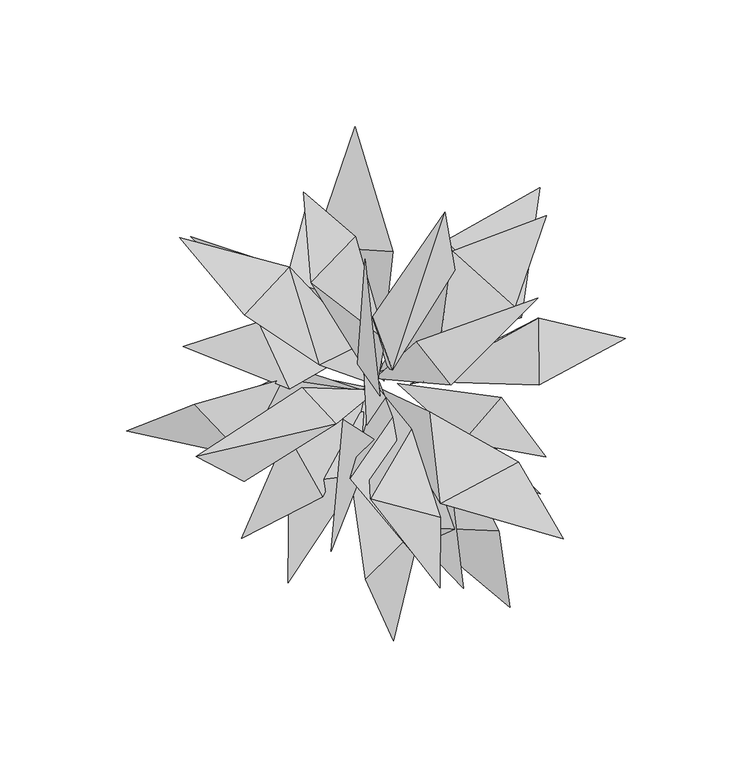
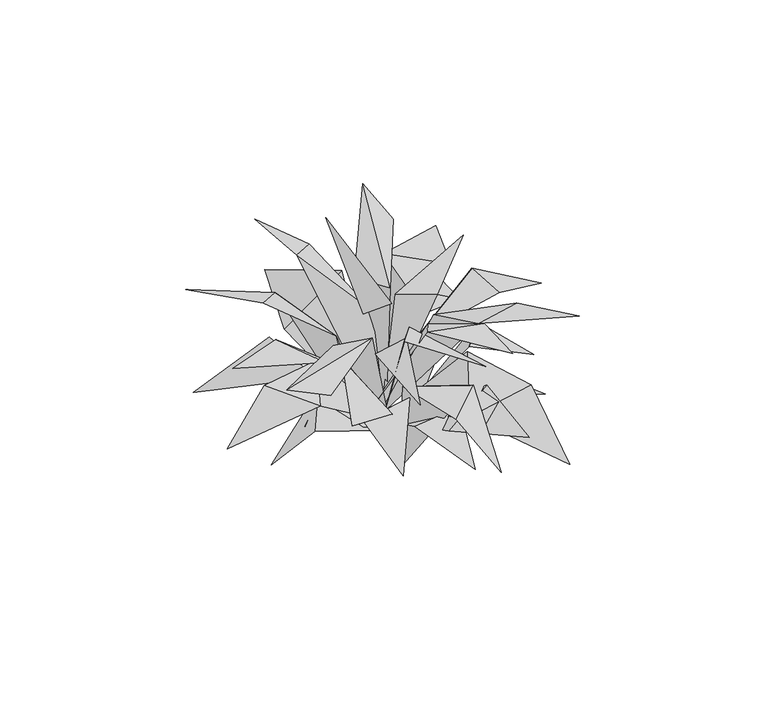
"""IFC4 building model written with IfcOpenShell, lengths in millimetres: furniture geometry."""

from ifc_helpers import new_model, si_unit, origin, place, context, project, spatial, triangles, source, transform, mapped, element, save


def furniture_4bba64a1(model_context):
    return source(origin(), model_context, "Body", "Tessellation", [
        triangles([(-3.9752127, 0.8225217, -21.7141066), (-5.3625701, 15.7347397, -23.5478586), (-22.3436353, 7.3908569, 37.0295643), (1.1749863, 0.8143559, -11.3217381), (-10.22327, -37.3852408, 56.5879068), (6.5095426, -13.0481725, 44.4772997), (13.6864784, -0.0660345, -26.0019444), (18.8151, 0.9120256, 25.696978), (64.1324499, 25.9997166, 35.4528573), (-34.1307519, 46.041889, 43.2481006), (-4.7218204, 5.2897258, -11.6240089), (-2.0970702, -45.3548715, 64.3366889), (14.0779618, -17.8466441, 46.5593628), (64.1923527, -0.4397482, 37.1941187), (98.2841807, 17.8581033, 19.7649886), (-51.8867947, 27.1867354, 54.9456787), (16.8521997, -69.449976, 51.7990003), (25.3305441, -80.5609983, 63.2493779), (25.4632827, -52.6491846, 64.02731), (-77.4890747, 57.7486917, 53.3110492), (-98.3072534, -18.5835961, 12.6908269), (-52.1436922, -28.6477358, 27.9952888), (-71.7243557, -8.1535579, 34.5193751), (-36.6867187, 1.9836649, 30.6843371), (56.2299481, -30.8052758, 52.1651208), (21.388352, -11.2049211, 45.6088031), (25.5168087, -47.1329107, 60.6906405), (73.8627335, -61.2182155, 56.783112), (3.4689306, 17.3971428, 36.9152567), (-8.1443788, 58.1280608, 55.6817938), (-25.6125332, 39.9623818, 66.0989587), (6.5616964, 5.4472238, 56.3690974), (31.0554513, 44.7532685, 64.7161897), (27.1735185, 67.7501206, 73.0941894), (-1.4567375, 26.2816761, 52.7524032), (-28.5702356, 75.5694153, 66.8616574), (12.2171049, -66.9352993, -8.7906568), (19.0464255, -39.9195565, 9.3069373), (-6.6212415, -41.3642993, 7.4484496), (-4.8750641, -23.2322665, -29.1407404), (-10.0858806, -35.3754911, 28.9240339), (17.9078584, -55.4873653, 32.0318793), (-70.2848451, -12.3615865, -10.4004893), (-54.4623143, -27.1362956, 12.6543795), (-33.9610584, 4.9365906, 10.5127247), (-5.9722065, -4.8972143, -10.2854823), (-3.3981205, 0.4202053, -13.5970114), (-2.8551818, -2.6551037, -14.0728204), (6.3593985, -51.4121053, 6.6050735), (30.4337733, -46.4785674, 22.3086333), (-1.2063981, -1.854442, -20.5090202), (-0.9576082, 0.0428036, -14.073253), (15.1935811, -56.7399551, 14.9204578), (32.0059656, -25.0946142, 28.4478207), (0.2421141, -1.7022714, -21.3845822), (3.1833648, 1.1162982, -24.3119154), (-0.5964041, 29.6512697, -4.0361434), (-35.2806454, 40.8753847, -1.1554957), (4.5629741, -4.1460544, -17.3523724), (4.7682523, 5.9548838, -15.2422632), (-27.9201276, 68.1274368, -15.853822), (34.5268851, -80.7737851, 10.7141137), (52.7625089, -88.2738361, -7.3215962), (48.5780259, -58.1088668, 22.9689627), (6.9274308, -101.3443591, 12.030929), (-4.0857792, -77.1897561, 32.5176259), (-34.7260235, -78.5664435, 10.7117292), (-6.4416529, -35.945251, 21.4359758), (-34.1900597, -39.2443388, 19.0513285), (64.8631466, -43.5014826, 2.9172002), (34.5955491, -12.2476365, 15.0779042), (15.9028765, -22.2753141, 7.1086884), (-24.4457712, 54.0763595, 13.4844183), (6.645918, 52.2184651, 38.2338445), (-8.2569718, 101.3736088, 14.4529639), (64.5709633, 77.3556435, 10.7859525), (27.6513691, 56.5505362, 21.8479033), (57.3161826, 26.1291032, 19.5328285), (-21.1120244, -44.6741263, 22.0520038), (-35.0313192, -19.7719036, 44.2210744), (-52.9386382, -60.9862348, 36.1126508), (34.3379976, -22.8796309, 29.3111356), (67.0538559, -28.9509604, 16.723156), (49.3994375, -5.3178298, 27.9092044), (-34.1791501, -2.1303221, 31.2442184), (-17.2730089, 7.6384691, 16.1353353), (-46.3562003, 24.429098, 33.0408816), (-76.0883698, 14.7146133, 32.0964148), (20.6049083, 15.4843406, 25.5558188), (-17.8134442, -66.1385638, 39.1706514), (-0.470519, -22.1285821, 46.0308477), (-12.9636528, -14.0859487, 36.1363004), (-70.9846025, -28.6639776, 43.9701995), (-52.0688285, -38.5465934, 40.1849881), (-15.742361, -15.790925, 47.653691), (-29.1123991, -1.4294759, 39.0164866), (29.5015582, -0.4556775, 48.082889), (63.8753162, 33.8637533, 50.5168747), (15.9072878, 16.5933821, 42.9375045), (-7.2170496, 7.77515, 44.5336416), (1.5226603, -4.8450457, 55.2241228), (-4.3325424, 49.0882328, 75.333415), (24.745762, 12.9184952, 39.5790204), (54.8391945, 30.2339785, 38.5572759), (30.0900942, 52.4141108, 39.9698759), (67.1775356, 66.3316707, 35.1447911), (-4.0979384, -0.2347827, -18.7448712), (-0.151813, -4.2970181, -17.8833459), (-28.4150829, 5.0734656, 12.2303967), (-52.3736473, -13.8828906, 6.9670825), (-0.0048876, -4.0307269, -17.4771252), (0.5305409, -2.5215669, -11.2368459), (8.5223319, 0.0336468, -18.2387827), (-0.4649758, 2.1697656, -15.6221842), (0.7160306, 4.7421902, -23.2718285), (1.5785694, 6.0864909, -25.5612577), (3.2463072, 6.1974676, -25.8698917), (-73.1197601, 58.016744, -9.4350874), (-29.0386686, 16.05615, 9.5827431), (-37.5217195, 46.172863, 18.1115569)], [[1, 2, 3], [4, 5, 6], [7, 8, 9], [2, 10, 3], [11, 12, 13], [8, 14, 9], [14, 15, 9], [3, 10, 16], [17, 6, 5], [18, 19, 12], [12, 19, 13], [16, 10, 20], [21, 22, 23], [22, 24, 23], [25, 26, 27], [25, 27, 28], [29, 30, 31], [32, 33, 34], [32, 34, 35], [31, 30, 36], [37, 38, 39], [40, 41, 42], [43, 44, 45], [46, 39, 38], [47, 27, 26], [48, 49, 50], [51, 45, 44], [52, 53, 54], [55, 29, 31], [56, 57, 58], [59, 24, 22], [60, 32, 35], [61, 58, 57], [62, 50, 49], [63, 64, 53], [65, 42, 66], [64, 54, 53], [41, 66, 42], [67, 68, 69], [70, 71, 72], [73, 74, 75], [76, 77, 78], [79, 80, 81], [82, 83, 84], [85, 86, 87], [85, 87, 88], [89, 78, 77], [90, 91, 92], [93, 94, 95], [93, 95, 96], [97, 98, 99], [100, 101, 102], [103, 104, 105], [104, 106, 105], [107, 69, 68], [108, 109, 110], [111, 80, 79], [112, 96, 95], [113, 82, 84], [114, 97, 99], [115, 103, 105], [116, 74, 73], [117, 89, 77], [118, 119, 120]], closed=False),
    ])


if __name__ == "__main__":
    model = new_model("IFC4")
    model_context = context("Model", 3, world=origin())
    ifc_project = project(units=[si_unit("LENGTHUNIT", "METRE", prefix="MILLI")], contexts=[model_context])
    site = spatial("IfcSite", under=ifc_project)
    building = spatial("IfcBuilding", under=site)
    placement = place(None, origin())
    furniture_shape = furniture_4bba64a1(model_context)
    element("IfcFurniture", 1, at=placement, inside=building, context=model_context, shape_type="MappedRepresentation", body=[
        mapped(furniture_shape, transform((0.0, 0.0, 0.0), x_axis=(1.0, 0.0, 0.0), y_axis=(0.0, 1.0, 0.0), z_axis=(0.0, 0.0, 1.0))),
    ])
    save(model, "model.ifc")
